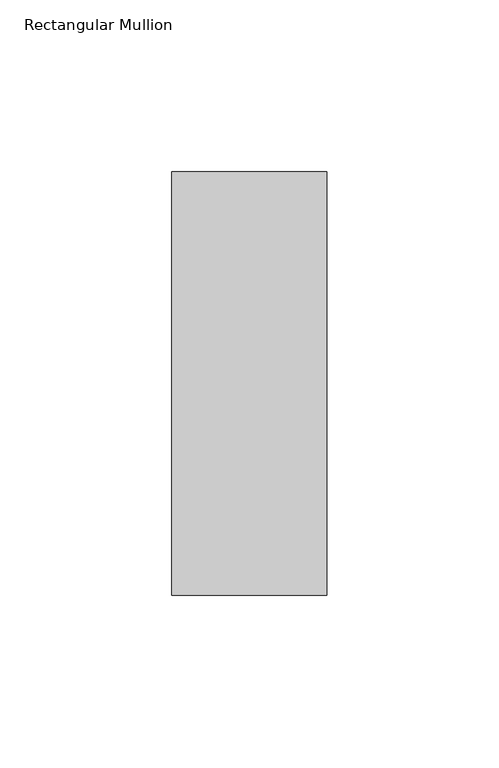
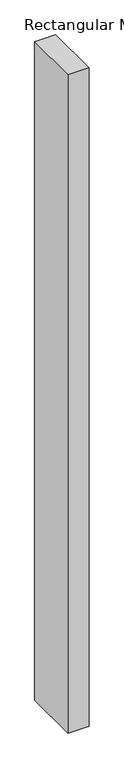
"""IFC4 building model written with IfcOpenShell, lengths in millimetres: member geometry, Rectangular Mullion."""

from ifc_helpers import new_model, si_unit, frame, origin, place, context, project, spatial, polyline, outline, extrude, source, transform, mapped, element, save


def rectangular_mullion_e64b8bd4(model_context):
    return source(origin(), model_context, "Body", "SweptSolid", [
        extrude(outline(polyline([(0.0, 77.05), (0.0, -46.05), (-45.0, -46.05), (-45.0, 77.05), (0.0, 77.05)])), frame((0.0, 0.0, -1485.5437978), z_axis=(0.0, 0.0, 1.0), x_axis=(1.0, 0.0, 0.0)), (0.0, 0.0, 1.0), 1485.5437978),
    ])


if __name__ == "__main__":
    model = new_model("IFC4")
    model_context = context("Model", 3, world=origin())
    ifc_project = project(units=[si_unit("LENGTHUNIT", "METRE", prefix="MILLI")], contexts=[model_context])
    site = spatial("IfcSite", under=ifc_project)
    building = spatial("IfcBuilding", under=site)
    placement = place(None, origin())
    rectangular_mullion_shape = rectangular_mullion_e64b8bd4(model_context)
    element("IfcMember", 1, ObjectType="Rectangular Mullion", at=placement, inside=building, context=model_context, shape_type="MappedRepresentation", body=[
        mapped(rectangular_mullion_shape, transform((0.0, 0.0, 0.0), x_axis=(1.0, 0.0, 0.0), y_axis=(0.0, 1.0, 0.0), z_axis=(0.0, 0.0, 1.0))),
    ])
    save(model, "model.ifc")
